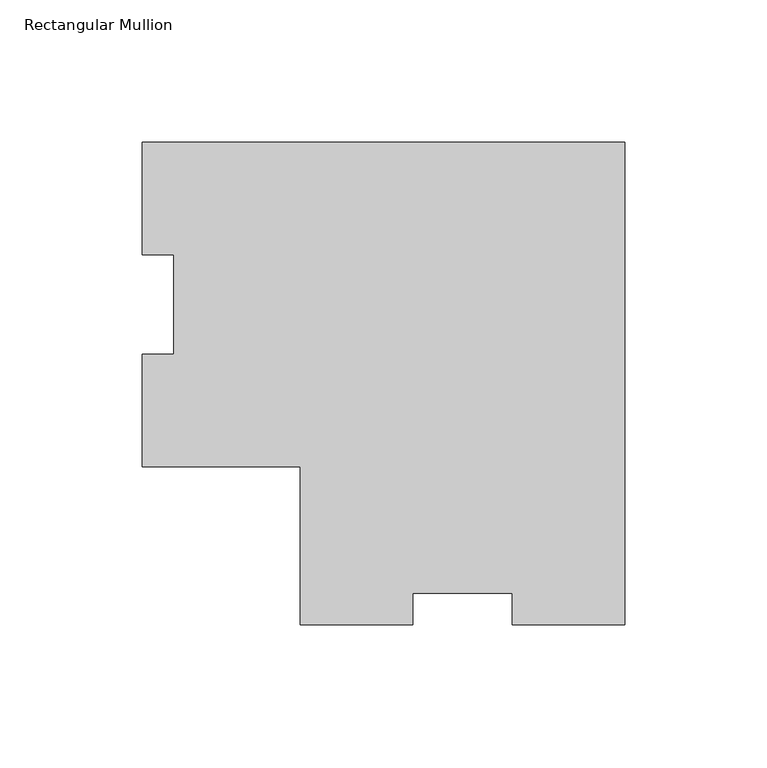
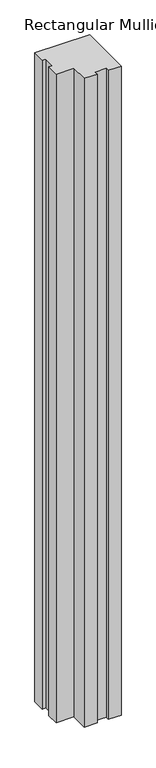
"""IFC4 building model written with IfcOpenShell, lengths in millimetres: member geometry, Rectangular Mullion."""

from ifc_helpers import new_model, si_unit, frame, origin, place, context, project, spatial, polyline, outline, extrude, source, transform, mapped, element, save


def rectangular_mullion_ef871676(model_context):
    return source(origin(), model_context, "Body", "SweptSolid", [
        extrude(outline(polyline([(0.0, 114.271425), (0.0, -55.591075), (-39.6748, -55.591075), (-39.6748, -44.478575), (-74.6252, -44.478575), (-74.6252, -55.591075), (-114.3, -55.591075), (-114.3, -0.028575), (-169.8625, -0.028575), (-169.8625, 39.646225), (-158.75, 39.646225), (-158.75, 74.596625), (-169.8625, 74.596625), (-169.8625, 114.271425), (0.0, 114.271425)])), frame((0.0, 0.0, -2133.6), z_axis=(0.0, 0.0, 1.0), x_axis=(1.0, 0.0, 0.0)), (0.0, 0.0, 1.0), 2133.6),
    ])


if __name__ == "__main__":
    model = new_model("IFC4")
    model_context = context("Model", 3, world=origin())
    ifc_project = project(units=[si_unit("LENGTHUNIT", "METRE", prefix="MILLI")], contexts=[model_context])
    site = spatial("IfcSite", under=ifc_project)
    building = spatial("IfcBuilding", under=site)
    placement = place(None, origin())
    rectangular_mullion_shape = rectangular_mullion_ef871676(model_context)
    element("IfcMember", 1, ObjectType="Rectangular Mullion", at=placement, inside=building, context=model_context, shape_type="MappedRepresentation", body=[
        mapped(rectangular_mullion_shape, transform((0.0, 0.0, 0.0), x_axis=(1.0, 0.0, 0.0), y_axis=(0.0, 1.0, 0.0), z_axis=(0.0, 0.0, 1.0))),
    ])
    save(model, "model.ifc")
